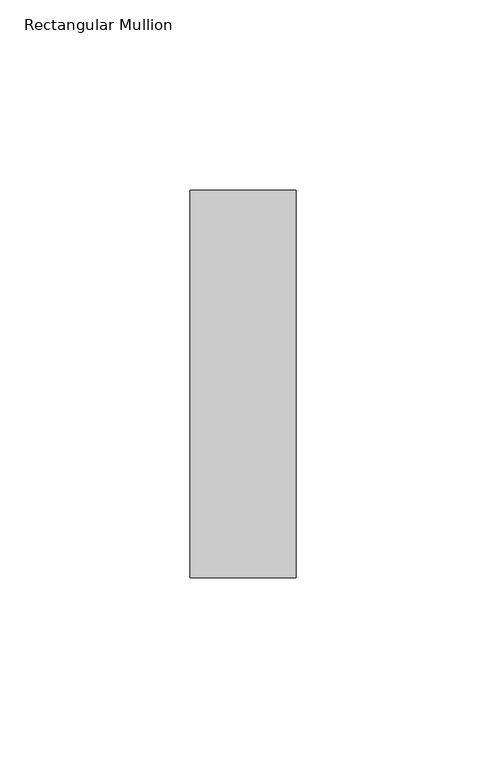
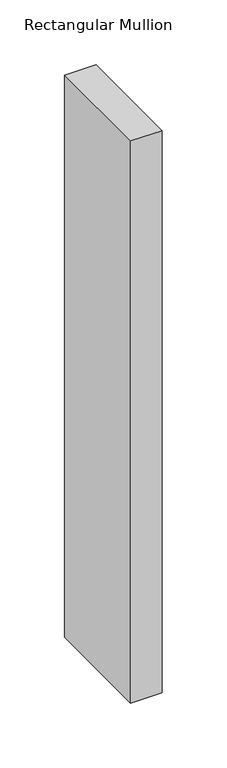
"""IFC4 building model written with IfcOpenShell, lengths in millimetres: member geometry, Rectangular Mullion."""

from ifc_helpers import new_model, si_unit, frame, origin, place, context, project, spatial, polyline, outline, extrude, source, transform, mapped, element, save


def rectangular_mullion_0ba4413c(model_context):
    return source(origin(), model_context, "Body", "SweptSolid", [
        extrude(outline(polyline([(-28.0, -51.0), (-28.0, 51.0), (0.0, 51.0), (0.0, -51.0), (-28.0, -51.0)])), frame((0.0, 0.0, -529.3378484), z_axis=(0.0, 0.0, 1.0), x_axis=(1.0, 0.0, 0.0)), (0.0, 0.0, 1.0), 529.3378484),
    ])


if __name__ == "__main__":
    model = new_model("IFC4")
    model_context = context("Model", 3, world=origin())
    ifc_project = project(units=[si_unit("LENGTHUNIT", "METRE", prefix="MILLI")], contexts=[model_context])
    site = spatial("IfcSite", under=ifc_project)
    building = spatial("IfcBuilding", under=site)
    placement = place(None, origin())
    rectangular_mullion_shape = rectangular_mullion_0ba4413c(model_context)
    element("IfcMember", 1, ObjectType="Rectangular Mullion", at=placement, inside=building, context=model_context, shape_type="MappedRepresentation", body=[
        mapped(rectangular_mullion_shape, transform((0.0, 0.0, 0.0), x_axis=(1.0, 0.0, 0.0), y_axis=(0.0, 1.0, 0.0), z_axis=(0.0, 0.0, 1.0))),
    ])
    save(model, "model.ifc")
